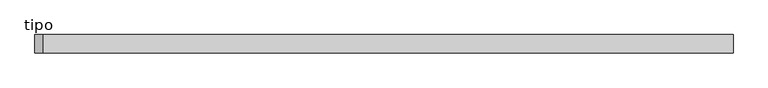
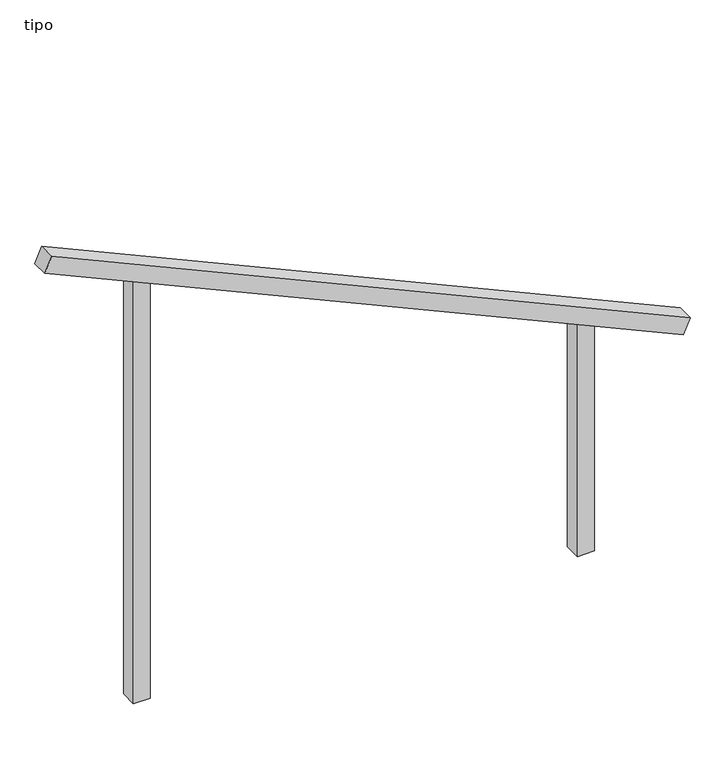
"""IFC4 building model written with IfcOpenShell, lengths in millimetres: proxy geometry, tipo."""

import ifcopenshell
import ifcopenshell.guid

model = None  # the IFC model being written
_history = None  # IfcOwnerHistory: only IFC2X3 demands one
_inside = {}  # id of a spatial element -> (the spatial element, [elements in it])
_under = {}  # id of a project, library or spatial element -> (it, [spatial elements below it])
_declared = {}  # id of a project -> (the project, [libraries it declares])
_typed = {}  # id of a type object -> (the type object, [elements of that type])
_made_of = {}  # id of a material, layer set ... -> (it, [elements and type objects made of it])


def new_model(schema):
    """Start an empty IFC model of exactly this schema.

    Asked for "IFC4X3", IfcOpenShell would pick the latest addendum, in which some entities
    have other attributes; the version numbers below select the first issue.
    IFC2X3 requires an IfcOwnerHistory on every rooted entity: one is made here for all.
    """
    global model, _history
    if schema == "IFC4X3":
        model = ifcopenshell.file(schema_version=(4, 3, 0, 0))
    else:
        model = ifcopenshell.file(schema=schema)
    _inside.clear()
    _under.clear()
    _declared.clear()
    _typed.clear()
    _made_of.clear()
    _history = None
    if model.schema == "IFC2X3":
        org = make("IfcOrganization", Name="unknown")
        user = make(
            "IfcPersonAndOrganization",
            ThePerson=make("IfcPerson", FamilyName="unknown"),
            TheOrganization=org,
        )
        app = make(
            "IfcApplication",
            ApplicationDeveloper=org,
            Version="unknown",
            ApplicationFullName="unknown",
            ApplicationIdentifier="unknown",
        )
        _history = make(
            "IfcOwnerHistory",
            OwningUser=user,
            OwningApplication=app,
            ChangeAction="ADDED",
            CreationDate=0,
        )
    return model


def make(cls, **values):
    """One entity of the class cls with the attributes given. An attribute that is None is left unset."""
    return model.create_entity(
        cls, **{name: value for name, value in values.items() if value is not None}
    )


def rooted(cls, **values):
    """An entity with a GlobalId (a new one), such as an element, a storey or a relation."""
    return make(cls, GlobalId=ifcopenshell.guid.new(), OwnerHistory=_history, **values)


def si_unit(unit_type, name, prefix=None):
    """IfcSIUnit, for example si_unit("LENGTHUNIT", "METRE", prefix="MILLI")."""
    return make("IfcSIUnit", UnitType=unit_type, Prefix=prefix, Name=name)


def assignment(units):
    """IfcUnitAssignment: the units of a project."""
    return None if units is None else make("IfcUnitAssignment", Units=units)


def point(xyz):
    """IfcCartesianPoint."""
    return None if xyz is None else make("IfcCartesianPoint", Coordinates=xyz)


def direction(xyz):
    """IfcDirection."""
    return None if xyz is None else make("IfcDirection", DirectionRatios=xyz)


def frame(location, z_axis=None, x_axis=None):
    """IfcAxis2Placement3D, a coordinate frame: its origin and axes. An axis left out is left unset."""
    return make(
        "IfcAxis2Placement3D",
        Location=point(location),
        Axis=direction(z_axis),
        RefDirection=direction(x_axis),
    )


def origin():
    """The frame at (0, 0, 0) with its axes left unset."""
    return frame((0.0, 0.0, 0.0))


def place(relative_to, where):
    """IfcLocalPlacement: puts the frame where relative to a parent placement (None: the world)."""
    return make(
        "IfcLocalPlacement", PlacementRelTo=relative_to, RelativePlacement=where
    )


def context(
    kind, dimensions, precision=None, world=None, true_north=None, identifier=None
):
    """IfcGeometricRepresentationContext, for example the 3D "Model" context."""
    return make(
        "IfcGeometricRepresentationContext",
        ContextIdentifier=identifier,
        ContextType=kind,
        CoordinateSpaceDimension=dimensions,
        Precision=precision,
        WorldCoordinateSystem=world,
        TrueNorth=true_north,
    )


def project(units=None, contexts=None):
    """IfcProject with its units and contexts."""
    return rooted(
        "IfcProject",
        Name="project",
        RepresentationContexts=contexts,
        UnitsInContext=assignment(units),
    )


def spatial(cls, under=None, at=None, **own):
    """A site, building, storey or space (cls), placed at a placement, below another one or the project."""
    s = rooted(cls, ObjectPlacement=at, **own)
    if under is not None:
        _under.setdefault(under.id(), (under, []))[1].append(s)
    return s


def polyline(points):
    """IfcPolyline through the points."""
    return make("IfcPolyline", Points=[point(p) for p in points])


def outline(outer, holes=None, kind="AREA"):
    """IfcArbitraryClosedProfileDef: a profile drawn as a closed curve; with holes, ...WithVoids."""
    if holes is None:
        return make("IfcArbitraryClosedProfileDef", ProfileType=kind, OuterCurve=outer)
    return make(
        "IfcArbitraryProfileDefWithVoids",
        ProfileType=kind,
        OuterCurve=outer,
        InnerCurves=holes,
    )


def extrude(swept, where, along, depth):
    """IfcExtrudedAreaSolid: the profile swept, set in the frame where, extruded along a direction by depth."""
    return make(
        "IfcExtrudedAreaSolid",
        SweptArea=swept,
        Position=where,
        ExtrudedDirection=direction(along),
        Depth=depth,
    )


def shape(context_of_items, identifier, shape_type, items):
    """IfcShapeRepresentation: the items that make up one representation, for example the "Body"."""
    return make(
        "IfcShapeRepresentation",
        ContextOfItems=context_of_items,
        RepresentationIdentifier=identifier,
        RepresentationType=shape_type,
        Items=items,
    )


def source(mapping_origin, context_of_items, identifier, shape_type, items):
    """IfcRepresentationMap: a shape defined once, which mapped items show again and again."""
    return make(
        "IfcRepresentationMap",
        MappingOrigin=mapping_origin,
        MappedRepresentation=shape(context_of_items, identifier, shape_type, items),
    )


def transform(
    local_origin,
    x_axis=None,
    y_axis=None,
    z_axis=None,
    scale=None,
    scale2=None,
    scale3=None,
    uniform=True,
):
    """IfcCartesianTransformationOperator3D, or its non-uniform kind. x_axis, y_axis, z_axis: its Axis1, 2, 3."""
    if uniform:
        return make(
            "IfcCartesianTransformationOperator3D",
            Axis1=direction(x_axis),
            Axis2=direction(y_axis),
            LocalOrigin=point(local_origin),
            Scale=scale,
            Axis3=direction(z_axis),
        )
    return make(
        "IfcCartesianTransformationOperator3DnonUniform",
        Axis1=direction(x_axis),
        Axis2=direction(y_axis),
        LocalOrigin=point(local_origin),
        Scale=scale,
        Axis3=direction(z_axis),
        Scale2=scale2,
        Scale3=scale3,
    )


def mapped(mapping_source, mapping_target):
    """IfcMappedItem: shows the shape of a source again, moved by a transform."""
    return make(
        "IfcMappedItem", MappingSource=mapping_source, MappingTarget=mapping_target
    )


def made_of(thing, what):
    """Note that an element or type object is made of a material, layer set ...; save() writes the relation."""
    if what is not None:
        _made_of.setdefault(what.id(), (what, []))[1].append(thing)
    return thing


def element(
    cls,
    number,
    at=None,
    inside=None,
    cuts=None,
    type_object=None,
    material=None,
    context=None,
    identifier="Body",
    shape_type=None,
    held_by="IfcProductDefinitionShape",
    body=None,
    shapes=None,
    **own,
):
    """One element of the class cls, such as IfcWall. Its Tag is "e" and its number.

    at: its placement. inside: the storey or other place that contains it. cuts: it is an
    opening in that element (IfcRelVoidsElement). A single representation is given by context,
    identifier, shape_type and body (its items); several are given by shapes. held_by: the class
    of the entity that holds the representations. save() writes the other relations.
    """
    e = rooted(cls, Tag="e%d" % number, ObjectPlacement=at, **own)
    if body is not None:
        shapes = [shape(context, identifier, shape_type, body)]
    if shapes is not None:
        e.Representation = make(held_by, Representations=shapes)
    if inside is not None:
        _inside.setdefault(inside.id(), (inside, []))[1].append(e)
    if cuts is not None:
        rooted(
            "IfcRelVoidsElement", RelatingBuildingElement=cuts, RelatedOpeningElement=e
        )
    if type_object is not None:
        _typed.setdefault(type_object.id(), (type_object, []))[1].append(e)
    return made_of(e, material)


def aggregate(whole, parts):
    """IfcRelAggregates: a whole, such as a stair, and the parts it consists of."""
    return rooted("IfcRelAggregates", RelatingObject=whole, RelatedObjects=parts)


def save(model, path):
    """Write the relations noted so far, then the file.

    IfcRelAggregates (storeys below a building ...), IfcRelContainedInSpatialStructure (elements
    in a storey), IfcRelDefinesByType, IfcRelAssociatesMaterial and IfcRelDeclares: one each for
    every whole, place, type object, material and project.
    """
    for whole, parts in _under.values():
        aggregate(whole, parts)
    for where, things in _inside.values():
        rooted(
            "IfcRelContainedInSpatialStructure",
            RelatedElements=things,
            RelatingStructure=where,
        )
    for kind, things in _typed.values():
        rooted("IfcRelDefinesByType", RelatedObjects=things, RelatingType=kind)
    for what, things in _made_of.values():
        rooted("IfcRelAssociatesMaterial", RelatedObjects=things, RelatingMaterial=what)
    for by, libraries in _declared.values():
        rooted("IfcRelDeclares", RelatingContext=by, RelatedDefinitions=libraries)
    model.write(path)


def tipo_943c2125(model_context):
    return source(origin(), model_context, "Body", "SweptSolid", [
        extrude(outline(polyline([(0.0, -4099.9999999), (0.0, 0.0), (100.0, 0.0), (100.0, -4099.9999999), (0.0, -4099.9999999)])), frame((-1868.3499183, -100.0, 2843.6637853), z_axis=(0.4115433099225677, 0.0, 0.911390204060795), x_axis=(0.0, 1.0, 0.0)), (0.0, 0.0, 1.0), 100.0),
        extrude(outline(polyline([(1390.4, 1350.0), (1435.5555556, 1250.0), (0.0, 1250.0), (0.0, 1350.0), (1390.4, 1350.0)])), frame((0.0, -100.0, 0.0), z_axis=(0.0, 1.0, 0.0), x_axis=(0.0, 0.0, 1.0)), (0.0, 0.0, 1.0), 100.0),
        extrude(outline(polyline([(2609.6, -1350.0), (0.0, -1350.0), (0.0, -1250.0), (2564.4444444, -1250.0), (2609.6, -1350.0)])), frame((0.0, -100.0, 0.0), z_axis=(0.0, 1.0, 0.0), x_axis=(0.0, 0.0, 1.0)), (0.0, 0.0, 1.0), 100.0),
    ])


if __name__ == "__main__":
    model = new_model("IFC4")
    model_context = context("Model", 3, world=origin())
    ifc_project = project(units=[si_unit("LENGTHUNIT", "METRE", prefix="MILLI")], contexts=[model_context])
    site = spatial("IfcSite", under=ifc_project)
    building = spatial("IfcBuilding", under=site)
    placement = place(None, origin())
    tipo_shape = tipo_943c2125(model_context)
    element("IfcBuildingElementProxy", 1, Name="tipo", ObjectType="tipo", at=placement, inside=building, context=model_context, shape_type="MappedRepresentation", body=[
        mapped(tipo_shape, transform((0.0, 0.0, 0.0), x_axis=(1.0, 0.0, 0.0), y_axis=(0.0, 1.0, 0.0), z_axis=(0.0, 0.0, 1.0))),
    ])
    save(model, "model.ifc")
